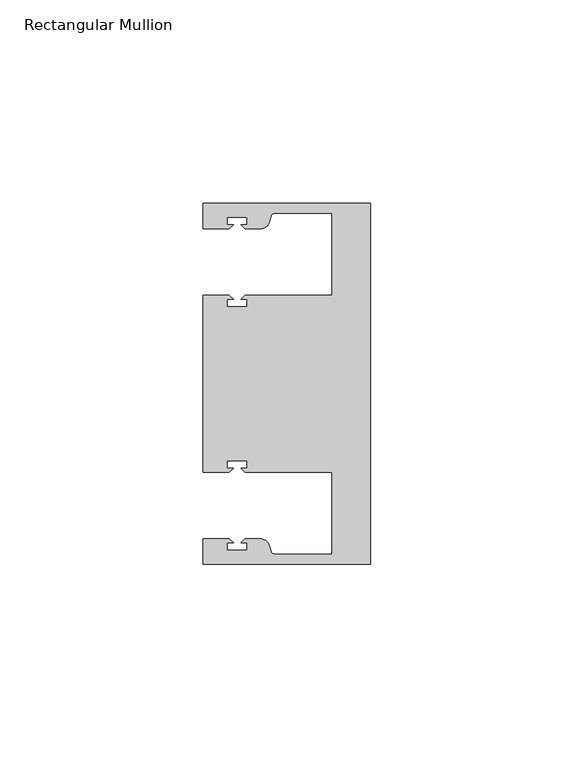
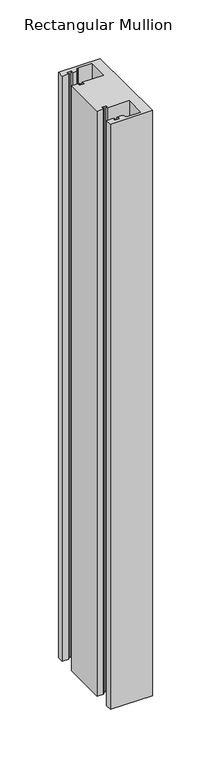
"""IFC4 building model written with IfcOpenShell, lengths in millimetres: member geometry, Rectangular Mullion."""

from ifc_helpers import new_model, si_unit, point, frame, frame_2d, origin, place, context, project, spatial, polyline, circle_curve, trimmed, segment, composite_curve, outline, extrude, source, transform, mapped, element, save


def rectangular_mullion_625be55f(model_context):
    return source(origin(), model_context, "Body", "SweptSolid", [
        extrude(outline(composite_curve([segment(polyline([(0.0, -44.45), (-41.2749977, -44.45), (-41.2749977, -38.1499897), (-34.8007531, -38.1499897), (-33.8007405, -39.1500023), (-35.3749778, -39.1500023), (-35.3749778, -40.9498819), (-30.3749831, -40.9498819), (-30.3749831, -39.1500023), (-31.949256, -39.1500023), (-30.9492503, -38.1499966), (-27.2637853, -38.1499966)]), True, "CONTINUOUS"), segment(trimmed(circle_curve(frame_2d((-27.2637853, -40.6499966)), 2.5), [point((-27.2637853, -38.1499966))], [point((-24.8489707, -40.002949))], False, "CARTESIAN"), True, "CONTINUOUS"), segment(polyline([(-24.8489707, -40.002949), (-24.5258588, -41.2088192)]), True, "CONTINUOUS"), segment(trimmed(circle_curve(frame_2d((-23.5599329, -40.9500001)), 1.0), [point((-24.5258588, -41.2088192))], [point((-23.5599329, -41.9500001))], True, "CARTESIAN"), True, "CONTINUOUS"), segment(polyline([(-23.5599329, -41.9500001), (-9.525, -41.95), (-9.525, -21.7499959), (-30.9492434, -21.7499959), (-31.949256, -20.7499834), (-30.3750186, -20.7499834), (-30.3750186, -18.949936), (-35.3750134, -18.949936), (-35.3750134, -20.7499834), (-33.8007405, -20.7499834), (-34.8007562, -21.749999), (-41.275, -21.749999), (-41.275, 21.749999), (-34.8007562, 21.749999), (-33.8007405, 20.7499834), (-35.3750134, 20.7499834), (-35.3750134, 18.949936), (-30.3750186, 18.949936), (-30.3750186, 20.7499834), (-31.949256, 20.7499834), (-30.9492434, 21.7499959), (-9.525, 21.7499959), (-9.525, 41.95), (-23.5599329, 41.95)]), True, "CONTINUOUS"), segment(trimmed(circle_curve(frame_2d((-23.5599329, 40.9500001)), 1.0), [point((-23.5599329, 41.95))], [point((-24.5258588, 41.2088192))], True, "CARTESIAN"), True, "CONTINUOUS"), segment(polyline([(-24.5258588, 41.2088192), (-24.8489707, 40.002949)]), True, "CONTINUOUS"), segment(trimmed(circle_curve(frame_2d((-27.2637853, 40.6499966)), 2.5), [point((-24.8489707, 40.002949))], [point((-27.2637853, 38.1499966))], False, "CARTESIAN"), True, "CONTINUOUS"), segment(polyline([(-27.2637853, 38.1499966), (-30.9492503, 38.1499966), (-31.949256, 39.1500023), (-30.3749831, 39.1500023), (-30.3749831, 40.9498819), (-35.3749778, 40.9498819), (-35.3749778, 39.1500023), (-33.8007405, 39.1500023), (-34.8007531, 38.1499897), (-41.275, 38.1499897), (-41.275, 44.45), (0.0, 44.45), (0.0, -44.45)]), True, "CONTINUOUS")], self_intersect=False)), frame((0.0, 0.0, -609.6), z_axis=(0.0, 0.0, 1.0), x_axis=(1.0, 0.0, 0.0)), (0.0, 0.0, 1.0), 609.6),
    ])


if __name__ == "__main__":
    model = new_model("IFC4")
    model_context = context("Model", 3, world=origin())
    ifc_project = project(units=[si_unit("LENGTHUNIT", "METRE", prefix="MILLI")], contexts=[model_context])
    site = spatial("IfcSite", under=ifc_project)
    building = spatial("IfcBuilding", under=site)
    placement = place(None, origin())
    rectangular_mullion_shape = rectangular_mullion_625be55f(model_context)
    element("IfcMember", 1, ObjectType="Rectangular Mullion", at=placement, inside=building, context=model_context, shape_type="MappedRepresentation", body=[
        mapped(rectangular_mullion_shape, transform((0.0, 0.0, 0.0), x_axis=(1.0, 0.0, 0.0), y_axis=(0.0, 1.0, 0.0), z_axis=(0.0, 0.0, 1.0))),
    ])
    save(model, "model.ifc")
